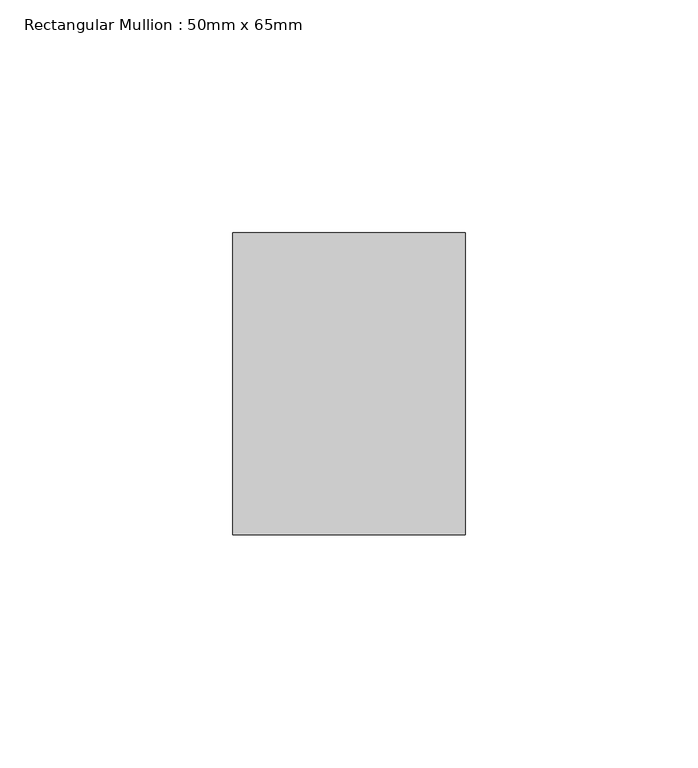
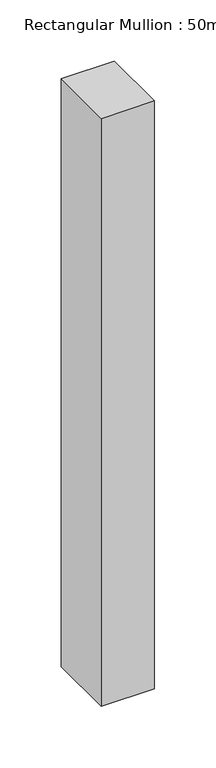
"""IFC4 building model written with IfcOpenShell, lengths in millimetres: member geometry, Rectangular Mullion : 50mm x 65mm."""

from ifc_helpers import new_model, si_unit, frame, origin, place, context, project, spatial, polyline, outline, extrude, source, transform, mapped, element, save


def rectangular_mullion_50mm_x_65mm_8cbafbe7(model_context):
    return source(origin(), model_context, "Body", "SweptSolid", [
        extrude(outline(polyline([(25.0, 32.5), (25.0, -32.5), (-25.0, -32.5), (-25.0, 32.5), (25.0, 32.5)])), frame((0.0, 0.0, -585.2034877), z_axis=(0.0, 0.0, 1.0), x_axis=(1.0, 0.0, 0.0)), (0.0, 0.0, 1.0), 585.2034877),
    ])


if __name__ == "__main__":
    model = new_model("IFC4")
    model_context = context("Model", 3, world=origin())
    ifc_project = project(units=[si_unit("LENGTHUNIT", "METRE", prefix="MILLI")], contexts=[model_context])
    site = spatial("IfcSite", under=ifc_project)
    building = spatial("IfcBuilding", under=site)
    placement = place(None, origin())
    rectangular_mullion_50mm_x_65mm_shape = rectangular_mullion_50mm_x_65mm_8cbafbe7(model_context)
    element("IfcMember", 1, ObjectType="Rectangular Mullion : 50mm x 65mm", at=placement, inside=building, context=model_context, shape_type="MappedRepresentation", body=[
        mapped(rectangular_mullion_50mm_x_65mm_shape, transform((0.0, 0.0, 0.0), x_axis=(1.0, 0.0, 0.0), y_axis=(0.0, 1.0, 0.0), z_axis=(0.0, 0.0, 1.0))),
    ])
    save(model, "model.ifc")
